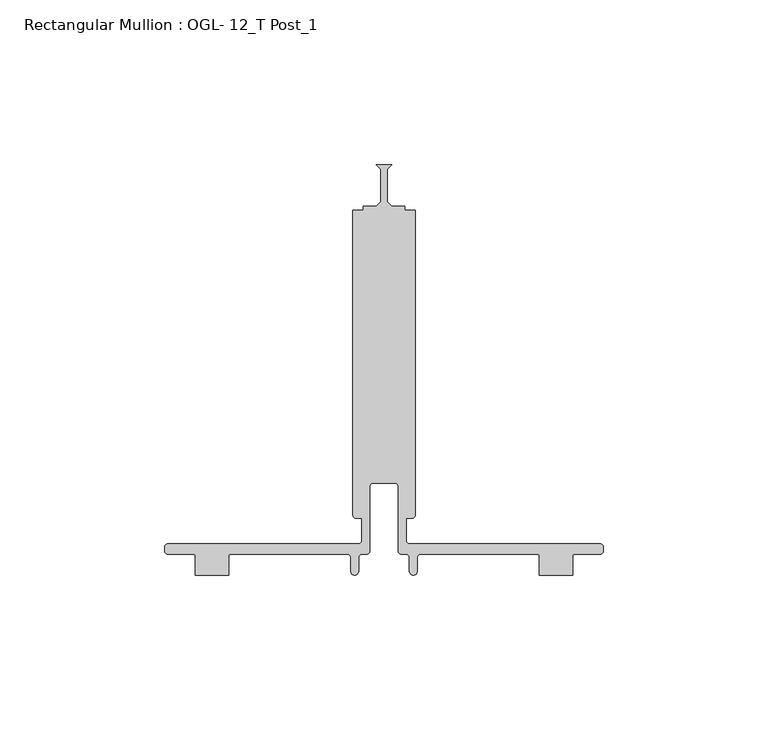
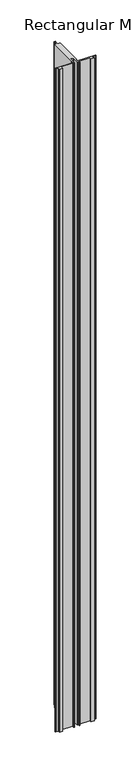
"""IFC4 building model written with IfcOpenShell, lengths in millimetres: member geometry, Rectangular Mullion : OGL- 12_T Post_1."""

from ifc_helpers import new_model, si_unit, point, frame, frame_2d, origin, place, context, project, spatial, polyline, circle_curve, trimmed, segment, composite_curve, outline, extrude, source, transform, mapped, element, save


def rectangular_mullion_ogl_12_t_post_1_5665e99d(model_context):
    return source(origin(), model_context, "Body", "SweptSolid", [
        extrude(outline(composite_curve([segment(polyline([(-65.672665, -108.868522), (-7.7151426, -108.868522)]), True, "CONTINUOUS"), segment(trimmed(circle_curve(frame_2d((-7.7151426, -107.852522)), 1.016), [point((-7.7151426, -108.868522))], [point((-6.6991426, -107.852522))], True, "CARTESIAN"), True, "CONTINUOUS"), segment(polyline([(-6.6991426, -107.852522), (-6.6991426, -101.1213024), (-8.4584503, -101.1213024)]), True, "CONTINUOUS"), segment(trimmed(circle_curve(frame_2d((-8.4584503, -100.1439298)), 0.9773726), [point((-8.4584503, -101.1213024))], [point((-9.4358229, -100.1439298))], False, "CARTESIAN"), True, "CONTINUOUS"), segment(polyline([(-9.4358229, -100.1439298), (-9.4358229, -7.4941035), (-6.3501658, -7.4941035), (-6.3501658, -6.35), (-2.3814158, -6.35), (-1.0161658, -4.8976064), (-1.0161658, 4.8976064), (-2.3814158, 6.35), (2.3810842, 6.35), (1.0158342, 4.8976064), (1.0158342, -4.8976064), (2.3810842, -6.35), (6.3498342, -6.35), (6.3498342, -7.4941035), (9.4354913, -7.4941035), (9.4354913, -100.1184729)]), True, "CONTINUOUS"), segment(trimmed(circle_curve(frame_2d((8.4584503, -100.1439298)), 0.9773726), [point((9.4354913, -100.1184729))], [point((8.4584503, -101.1213024))], False, "CARTESIAN"), True, "CONTINUOUS"), segment(polyline([(8.4584503, -101.1213024), (6.6991426, -101.1213024), (6.6991426, -107.852522)]), True, "CONTINUOUS"), segment(trimmed(circle_curve(frame_2d((7.7151426, -107.852522)), 1.016), [point((6.6991426, -107.852522))], [point((7.7151426, -108.868522))], True, "CARTESIAN"), True, "CONTINUOUS"), segment(polyline([(7.7151426, -108.868522), (65.672665, -108.868522)]), True, "CONTINUOUS"), segment(trimmed(circle_curve(frame_2d((65.672665, -109.870857)), 1.002335), [point((65.672665, -108.868522))], [point((66.675, -109.870857))], False, "CARTESIAN"), True, "CONTINUOUS"), segment(polyline([(66.675, -109.870857), (66.675, -111.0333998)]), True, "CONTINUOUS"), segment(trimmed(circle_curve(frame_2d((65.6648778, -111.0333998)), 1.0101222), [point((66.675, -111.0333998))], [point((65.6648778, -112.043522))], False, "CARTESIAN"), True, "CONTINUOUS"), segment(polyline([(65.6648778, -112.043522), (57.8154834, -112.043522)]), True, "CONTINUOUS"), segment(trimmed(circle_curve(frame_2d((57.8154834, -112.5844069)), 0.5408849), [point((57.8154834, -112.043522))], [point((57.2745985, -112.5844069))], True, "CARTESIAN"), True, "CONTINUOUS"), segment(polyline([(57.2745985, -112.5844069), (57.2745985, -118.3818074), (47.2119458, -118.3818074), (47.2119458, -112.551522)]), True, "CONTINUOUS"), segment(trimmed(circle_curve(frame_2d((46.7039458, -112.551522)), 0.508), [point((47.2119458, -112.551522))], [point((46.7039458, -112.043522))], True, "CARTESIAN"), True, "CONTINUOUS"), segment(polyline([(46.7039458, -112.043522), (11.1449622, -112.043522)]), True, "CONTINUOUS"), segment(trimmed(circle_curve(frame_2d((11.1449622, -113.059522)), 1.016), [point((11.1449622, -112.043522))], [point((10.1289622, -113.059522))], True, "CARTESIAN"), True, "CONTINUOUS"), segment(polyline([(10.1289622, -113.059522), (10.1289622, -117.190372)]), True, "CONTINUOUS"), segment(trimmed(circle_curve(frame_2d((8.9220524, -117.190372)), 1.2069098), [point((10.1289622, -117.190372))], [point((7.7151426, -117.190372))], False, "CARTESIAN"), True, "CONTINUOUS"), segment(polyline([(7.7151426, -117.190372), (7.7151426, -113.059522)]), True, "CONTINUOUS"), segment(trimmed(circle_curve(frame_2d((6.6991426, -113.059522)), 1.016), [point((7.7151426, -113.059522))], [point((6.6991426, -112.043522))], True, "CARTESIAN"), True, "CONTINUOUS"), segment(polyline([(6.6991426, -112.043522), (5.301323, -112.043522)]), True, "CONTINUOUS"), segment(trimmed(circle_curve(frame_2d((5.301323, -111.027522)), 1.016), [point((5.301323, -112.043522))], [point((4.285323, -111.027522))], False, "CARTESIAN"), True, "CONTINUOUS"), segment(polyline([(4.285323, -111.027522), (4.285323, -91.4497484)]), True, "CONTINUOUS"), segment(trimmed(circle_curve(frame_2d((3.269323, -91.4497484)), 1.016), [point((4.285323, -91.4497484))], [point((3.269323, -90.4337484))], True, "CARTESIAN"), True, "CONTINUOUS"), segment(polyline([(3.269323, -90.4337484), (-3.269323, -90.4337484)]), True, "CONTINUOUS"), segment(trimmed(circle_curve(frame_2d((-3.269323, -91.4497484)), 1.016), [point((-3.269323, -90.4337484))], [point((-4.285323, -91.4497484))], True, "CARTESIAN"), True, "CONTINUOUS"), segment(polyline([(-4.285323, -91.4497484), (-4.285323, -111.027522)]), True, "CONTINUOUS"), segment(trimmed(circle_curve(frame_2d((-5.301323, -111.027522)), 1.016), [point((-4.285323, -111.027522))], [point((-5.301323, -112.043522))], False, "CARTESIAN"), True, "CONTINUOUS"), segment(polyline([(-5.301323, -112.043522), (-6.6991426, -112.043522)]), True, "CONTINUOUS"), segment(trimmed(circle_curve(frame_2d((-6.6991426, -113.059522)), 1.016), [point((-6.6991426, -112.043522))], [point((-7.7151426, -113.059522))], True, "CARTESIAN"), True, "CONTINUOUS"), segment(polyline([(-7.7151426, -113.059522), (-7.7151426, -117.190372)]), True, "CONTINUOUS"), segment(trimmed(circle_curve(frame_2d((-8.9220524, -117.190372)), 1.2069098), [point((-7.7151426, -117.190372))], [point((-10.1289622, -117.190372))], False, "CARTESIAN"), True, "CONTINUOUS"), segment(polyline([(-10.1289622, -117.190372), (-10.1289622, -113.059522)]), True, "CONTINUOUS"), segment(trimmed(circle_curve(frame_2d((-11.1449622, -113.059522)), 1.016), [point((-10.1289622, -113.059522))], [point((-11.1449622, -112.043522))], True, "CARTESIAN"), True, "CONTINUOUS"), segment(polyline([(-11.1449622, -112.043522), (-46.7039458, -112.043522)]), True, "CONTINUOUS"), segment(trimmed(circle_curve(frame_2d((-46.7039458, -112.551522)), 0.508), [point((-46.7039458, -112.043522))], [point((-47.2119458, -112.551522))], True, "CARTESIAN"), True, "CONTINUOUS"), segment(polyline([(-47.2119458, -112.551522), (-47.2119458, -118.3816416), (-57.2745985, -118.3816416), (-57.2745985, -112.5844069)]), True, "CONTINUOUS"), segment(trimmed(circle_curve(frame_2d((-57.8154834, -112.5844069)), 0.5408849), [point((-57.2745985, -112.5844069))], [point((-57.8154834, -112.043522))], True, "CARTESIAN"), True, "CONTINUOUS"), segment(polyline([(-57.8154834, -112.043522), (-65.6648778, -112.043522)]), True, "CONTINUOUS"), segment(trimmed(circle_curve(frame_2d((-65.6648778, -111.0333998)), 1.0101222), [point((-65.6648778, -112.043522))], [point((-66.675, -111.0333998))], False, "CARTESIAN"), True, "CONTINUOUS"), segment(polyline([(-66.675, -111.0333998), (-66.675, -109.870857)]), True, "CONTINUOUS"), segment(trimmed(circle_curve(frame_2d((-65.672665, -109.870857)), 1.002335), [point((-66.675, -109.870857))], [point((-65.672665, -108.868522))], False, "CARTESIAN"), True, "CONTINUOUS")], self_intersect=False)), frame((0.0, 0.0, -2303.3985282), z_axis=(0.0, 0.0, 1.0), x_axis=(1.0, 0.0, 0.0)), (0.0, 0.0, 1.0), 2303.3985282),
    ])


if __name__ == "__main__":
    model = new_model("IFC4")
    model_context = context("Model", 3, world=origin())
    ifc_project = project(units=[si_unit("LENGTHUNIT", "METRE", prefix="MILLI")], contexts=[model_context])
    site = spatial("IfcSite", under=ifc_project)
    building = spatial("IfcBuilding", under=site)
    placement = place(None, origin())
    rectangular_mullion_ogl_12_t_post_1_shape = rectangular_mullion_ogl_12_t_post_1_5665e99d(model_context)
    element("IfcMember", 1, ObjectType="Rectangular Mullion : OGL- 12_T Post_1", at=placement, inside=building, context=model_context, shape_type="MappedRepresentation", body=[
        mapped(rectangular_mullion_ogl_12_t_post_1_shape, transform((0.0, 0.0, 0.0), x_axis=(1.0, 0.0, 0.0), y_axis=(0.0, 1.0, 0.0), z_axis=(0.0, 0.0, 1.0))),
    ])
    save(model, "model.ifc")
